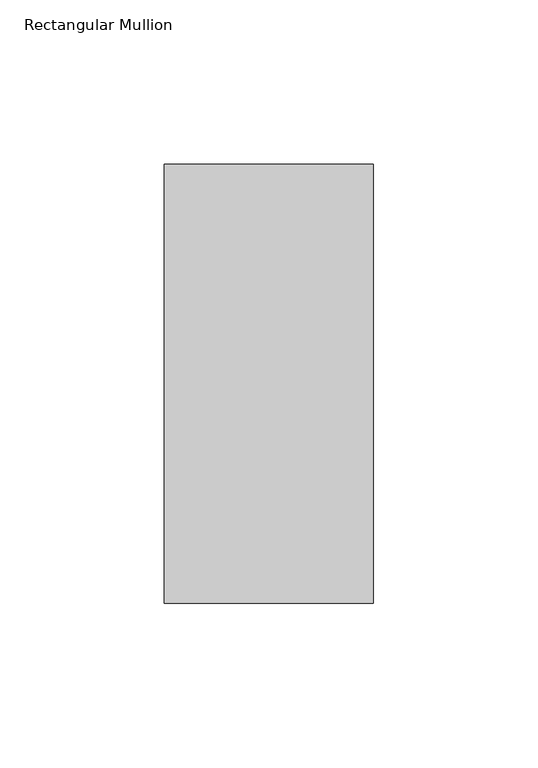
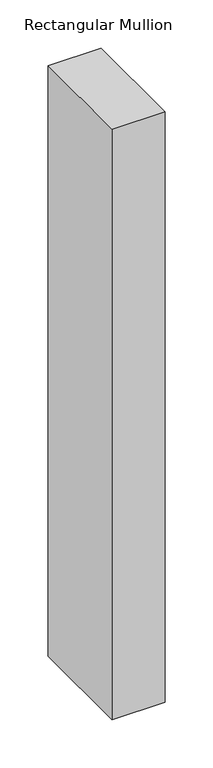
"""IFC4 building model written with IfcOpenShell, lengths in millimetres: member geometry, Rectangular Mullion."""

from ifc_helpers import new_model, si_unit, frame, origin, place, context, project, spatial, polyline, outline, extrude, source, transform, mapped, element, save


def rectangular_mullion_5d249aaf(model_context):
    return source(origin(), model_context, "Body", "SweptSolid", [
        extrude(outline(polyline([(-31.75, 192.88125), (31.75, 192.88125), (31.75, 59.53125), (-31.75, 59.53125), (-31.75, 192.88125)])), frame((0.0, 0.0, -749.3), z_axis=(0.0, 0.0, 1.0), x_axis=(1.0, 0.0, 0.0)), (0.0, 0.0, 1.0), 749.3),
    ])


if __name__ == "__main__":
    model = new_model("IFC4")
    model_context = context("Model", 3, world=origin())
    ifc_project = project(units=[si_unit("LENGTHUNIT", "METRE", prefix="MILLI")], contexts=[model_context])
    site = spatial("IfcSite", under=ifc_project)
    building = spatial("IfcBuilding", under=site)
    placement = place(None, origin())
    rectangular_mullion_shape = rectangular_mullion_5d249aaf(model_context)
    element("IfcMember", 1, ObjectType="Rectangular Mullion", at=placement, inside=building, context=model_context, shape_type="MappedRepresentation", body=[
        mapped(rectangular_mullion_shape, transform((0.0, 0.0, 0.0), x_axis=(1.0, 0.0, 0.0), y_axis=(0.0, 1.0, 0.0), z_axis=(0.0, 0.0, 1.0))),
    ])
    save(model, "model.ifc")
